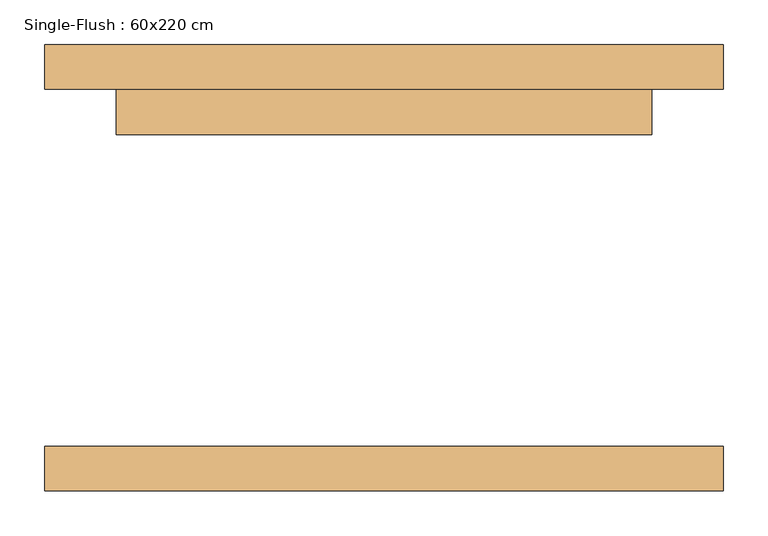
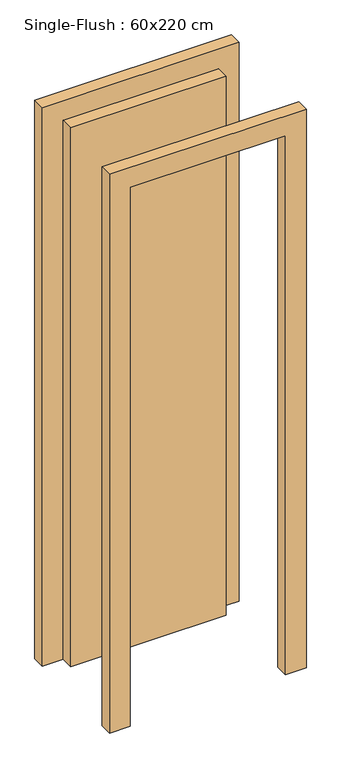
"""IFC4 building model written with IfcOpenShell, lengths in millimetres: door geometry, Single-Flush : 60x220 cm."""

from ifc_helpers import new_model, si_unit, frame, origin, origin_with_axes, place, context, project, spatial, polyline, outline, extrude, source, transform, mapped, element, save


def single_flush_60x220_cm_ad9c5a89(model_context):
    return source(origin(), model_context, "Body", "SweptSolid", [
        extrude(outline(polyline([(2280.0, -380.0), (0.0, -380.0), (0.0, -300.0), (2200.0, -300.0), (2200.0, 300.0), (0.0, 300.0), (0.0, 380.0), (2280.0, 380.0), (2280.0, -380.0)])), frame((0.0, 200.0, 0.0), z_axis=(0.0, 1.0, 0.0), x_axis=(0.0, 0.0, 1.0)), (0.0, 0.0, 1.0), 50.0),
        extrude(outline(polyline([(2280.0, 380.0), (2280.0, -380.0), (0.0, -380.0), (0.0, -300.0), (2200.0, -300.0), (2200.0, 300.0), (0.0, 300.0), (0.0, 380.0), (2280.0, 380.0)])), frame((0.0, -250.0, 0.0), z_axis=(0.0, 1.0, 0.0), x_axis=(0.0, 0.0, 1.0)), (0.0, 0.0, 1.0), 50.0),
        extrude(outline(polyline([(300.0, 149.2), (-300.0, 149.2), (-300.0, 200.0), (300.0, 200.0), (300.0, 149.2)])), origin_with_axes(), (0.0, 0.0, 1.0), 2200.0),
    ])


if __name__ == "__main__":
    model = new_model("IFC4")
    model_context = context("Model", 3, world=origin())
    ifc_project = project(units=[si_unit("LENGTHUNIT", "METRE", prefix="MILLI")], contexts=[model_context])
    site = spatial("IfcSite", under=ifc_project)
    building = spatial("IfcBuilding", under=site)
    placement = place(None, origin())
    single_flush_60x220_cm_shape = single_flush_60x220_cm_ad9c5a89(model_context)
    element("IfcDoor", 1, ObjectType="Single-Flush : 60x220 cm", at=placement, inside=building, context=model_context, shape_type="MappedRepresentation", body=[
        mapped(single_flush_60x220_cm_shape, transform((0.0, 0.0, 0.0), x_axis=(1.0, 0.0, 0.0), y_axis=(0.0, 1.0, 0.0), z_axis=(0.0, 0.0, 1.0))),
    ])
    save(model, "model.ifc")
